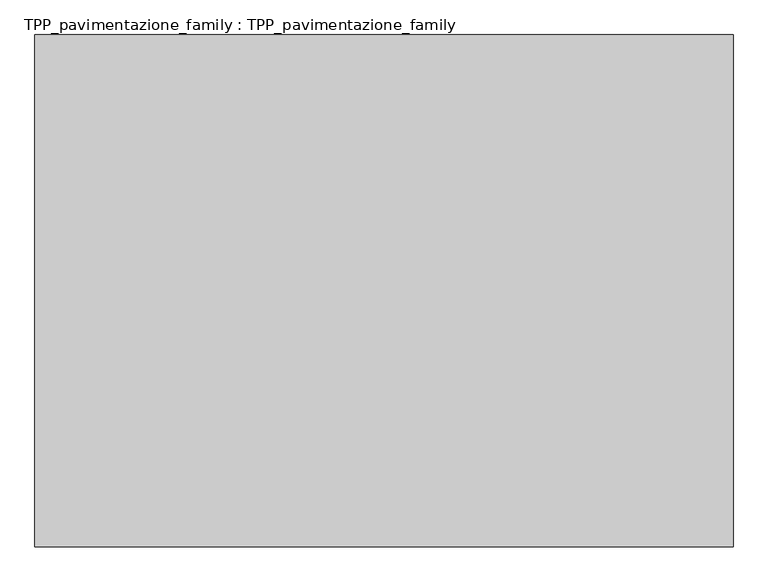
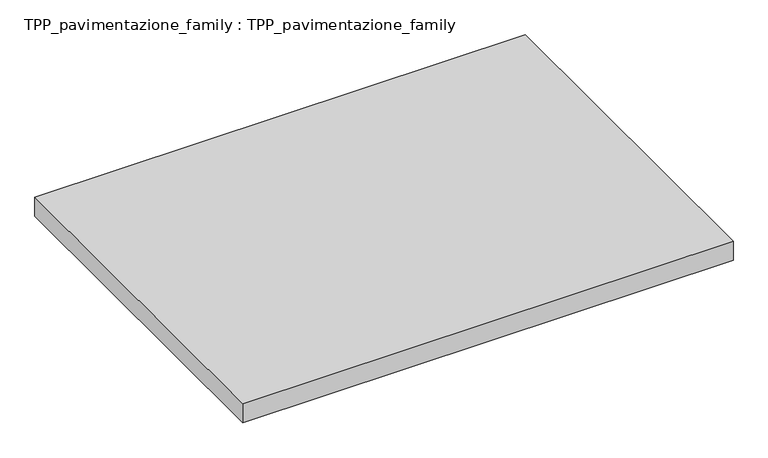
"""IFC4 building model written with IfcOpenShell, lengths in millimetres: proxy geometry, TPP_pavimentazione_family : TPP_pavimentazione_family."""

from ifc_helpers import new_model, si_unit, origin, origin_with_axes, place, context, project, spatial, polyline, outline, extrude, source, transform, mapped, element, save


def tpp_pavimentazione_family_tpp_pavimentazione_family_6e577dfd(model_context):
    return source(origin(), model_context, "Body", "SweptSolid", [
        extrude(outline(polyline([(511.8146187, 354.2201026), (511.8146187, -544.3253991), (-712.4601239, -544.3253991), (-712.4601239, 354.2201026), (511.8146187, 354.2201026)])), origin_with_axes(), (0.0, 0.0, 1.0), 50.0),
    ])


if __name__ == "__main__":
    model = new_model("IFC4")
    model_context = context("Model", 3, world=origin())
    ifc_project = project(units=[si_unit("LENGTHUNIT", "METRE", prefix="MILLI")], contexts=[model_context])
    site = spatial("IfcSite", under=ifc_project)
    building = spatial("IfcBuilding", under=site)
    placement = place(None, origin())
    tpp_pavimentazione_family_tpp_pavimentazione_family_shape = tpp_pavimentazione_family_tpp_pavimentazione_family_6e577dfd(model_context)
    element("IfcBuildingElementProxy", 1, Name="TPP_pavimentazione_family : TPP_pavimentazione_family", ObjectType="TPP_pavimentazione_family : TPP_pavimentazione_family", at=placement, inside=building, context=model_context, shape_type="MappedRepresentation", body=[
        mapped(tpp_pavimentazione_family_tpp_pavimentazione_family_shape, transform((0.0, 0.0, 0.0), x_axis=(1.0, 0.0, 0.0), y_axis=(0.0, 1.0, 0.0), z_axis=(0.0, 0.0, 1.0))),
    ])
    save(model, "model.ifc")
